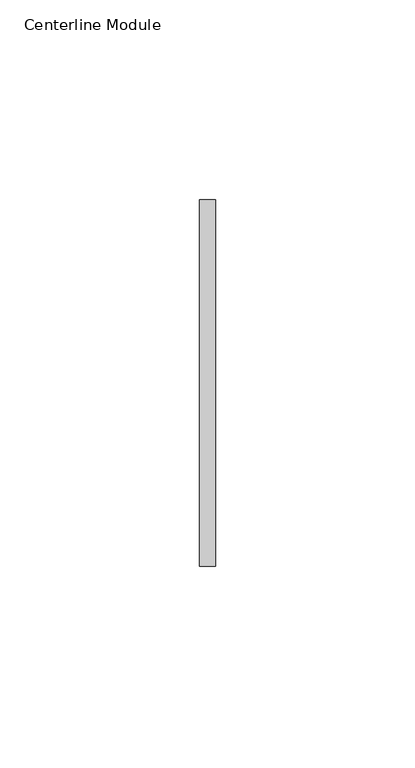
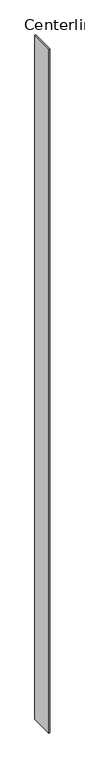
"""IFC4 building model written with IfcOpenShell, lengths in millimetres: furniture geometry, Centerline Module."""

from ifc_helpers import new_model, si_unit, origin, origin_with_axes, place, context, project, spatial, polyline, outline, extrude, source, transform, mapped, element, save


def centerline_module_1d2003bf(model_context):
    return source(origin(), model_context, "Body", "SweptSolid", [
        extrude(outline(polyline([(33.9141531, 61.348805), (33.9141531, -30.345195), (29.9771531, -30.345195), (29.9771531, 61.348805), (33.9141531, 61.348805)])), origin_with_axes(), (0.0, 0.0, 1.0), 2743.2),
    ])


if __name__ == "__main__":
    model = new_model("IFC4")
    model_context = context("Model", 3, world=origin())
    ifc_project = project(units=[si_unit("LENGTHUNIT", "METRE", prefix="MILLI")], contexts=[model_context])
    site = spatial("IfcSite", under=ifc_project)
    building = spatial("IfcBuilding", under=site)
    placement = place(None, origin())
    centerline_module_shape = centerline_module_1d2003bf(model_context)
    element("IfcFurniture", 1, ObjectType="Centerline Module", at=placement, inside=building, context=model_context, shape_type="MappedRepresentation", body=[
        mapped(centerline_module_shape, transform((0.0, 0.0, 0.0), x_axis=(1.0, 0.0, 0.0), y_axis=(0.0, 1.0, 0.0), z_axis=(0.0, 0.0, 1.0))),
    ])
    save(model, "model.ifc")
